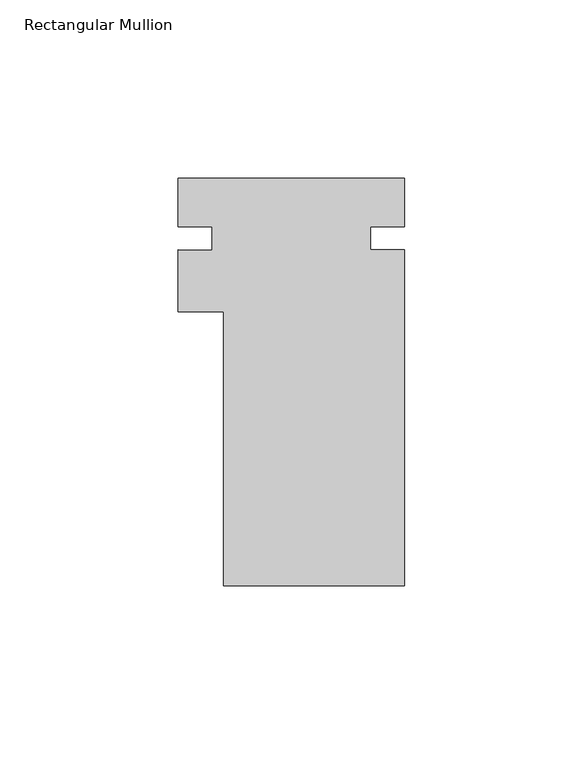
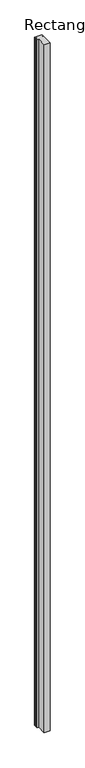
"""IFC4 building model written with IfcOpenShell, lengths in millimetres: member geometry, Rectangular Mullion."""

from ifc_helpers import new_model, si_unit, frame, origin, place, context, project, spatial, polyline, outline, extrude, source, transform, mapped, element, save


def rectangular_mullion_9b918447(model_context):
    return source(origin(), model_context, "Body", "SweptSolid", [
        extrude(outline(polyline([(25.4, -57.070625), (-25.4, -57.070625), (-25.4, 19.764375), (-38.0999959, 19.764375), (-38.0999959, 37.195072), (-28.5749959, 37.0786425), (-28.5749959, 43.576875), (-38.0999959, 43.576875), (-38.0999959, 57.229375), (25.4, 57.229375), (25.4, 43.576875), (15.875, 43.576875), (15.875, 37.226875), (25.4, 37.226875), (25.4, -57.070625)])), frame((0.0, 0.0, -6096.0), z_axis=(0.0, 0.0, 1.0), x_axis=(1.0, 0.0, 0.0)), (0.0, 0.0, 1.0), 6096.0),
    ])


if __name__ == "__main__":
    model = new_model("IFC4")
    model_context = context("Model", 3, world=origin())
    ifc_project = project(units=[si_unit("LENGTHUNIT", "METRE", prefix="MILLI")], contexts=[model_context])
    site = spatial("IfcSite", under=ifc_project)
    building = spatial("IfcBuilding", under=site)
    placement = place(None, origin())
    rectangular_mullion_shape = rectangular_mullion_9b918447(model_context)
    element("IfcMember", 1, ObjectType="Rectangular Mullion", at=placement, inside=building, context=model_context, shape_type="MappedRepresentation", body=[
        mapped(rectangular_mullion_shape, transform((0.0, 0.0, 0.0), x_axis=(1.0, 0.0, 0.0), y_axis=(0.0, 1.0, 0.0), z_axis=(0.0, 0.0, 1.0))),
    ])
    save(model, "model.ifc")
